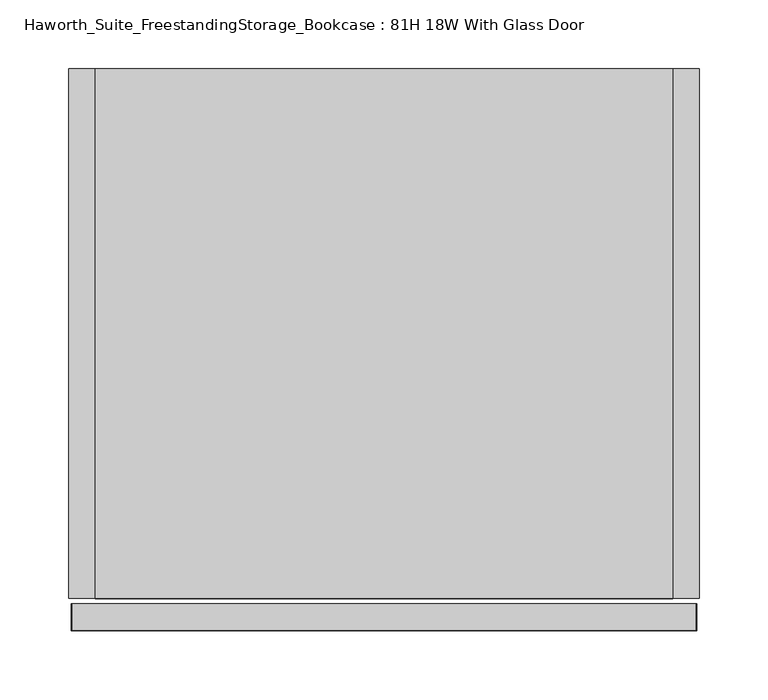
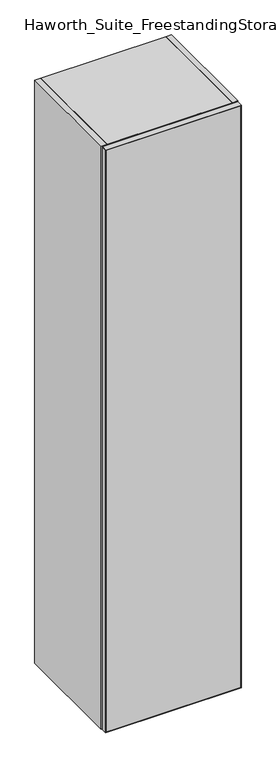
"""IFC4 building model written with IfcOpenShell, lengths in millimetres: furniture geometry, Haworth_Suite_FreestandingStorage_Bookcase : 81H 18W With Glass Door."""

from ifc_helpers import new_model, si_unit, frame, origin, origin_with_axes, place, context, project, spatial, polyline, outline, extrude, source, transform, mapped, element, save


def haworth_suite_freestandingstorage_bookcase_81h_18w_with_bdffdcb7(model_context):
    return source(origin(), model_context, "Body", "SweptSolid", [
        extrude(outline(polyline([(2057.4, 214.3125), (2055.8125, 212.725), (1.5875, 212.725), (0.0, 214.3125), (2057.4, 214.3125)])), frame((0.0, -419.89375, 0.0), z_axis=(0.0, 1.0, 0.0), x_axis=(0.0, 0.0, 1.0)), (0.0, 0.0, 1.0), 19.05),
        extrude(outline(polyline([(2057.4, -239.7125), (0.0, -239.7125), (1.5875, -238.125), (2055.8125, -238.125), (2057.4, -239.7125)])), frame((0.0, -419.89375, 0.0), z_axis=(0.0, 1.0, 0.0), x_axis=(0.0, 0.0, 1.0)), (0.0, 0.0, 1.0), 19.05),
        extrude(outline(polyline([(2055.8125, 212.725), (2057.4, 214.3125), (2057.4, -239.7125), (2055.8125, -238.125), (2055.8125, 212.725)])), frame((0.0, -419.89375, 0.0), z_axis=(0.0, 1.0, 0.0), x_axis=(0.0, 0.0, 1.0)), (0.0, 0.0, 1.0), 19.05),
        extrude(outline(polyline([(1.5875, 212.725), (1.5875, -238.125), (0.0, -239.7125), (0.0, 214.3125), (1.5875, 212.725)])), frame((0.0, -419.89375, 0.0), z_axis=(0.0, 1.0, 0.0), x_axis=(0.0, 0.0, 1.0)), (0.0, 0.0, 1.0), 19.05),
        extrude(outline(polyline([(-238.125, -401.6375), (212.725, -401.6375), (212.725, -419.1), (-238.125, -419.1), (-238.125, -401.6375)])), frame((0.0, 0.0, 1.5875), z_axis=(0.0, 0.0, 1.0), x_axis=(1.0, 0.0, 0.0)), (0.0, 0.0, 1.0), 2054.225),
        extrude(outline(polyline([(196.85, -31.75), (196.85, -377.825), (-222.25, -377.825), (-222.25, -31.75), (196.85, -31.75)])), frame((0.0, 0.0, 1631.95), z_axis=(0.0, 0.0, 1.0), x_axis=(1.0, 0.0, 0.0)), (0.0, 0.0, 1.0), 19.05),
        extrude(outline(polyline([(196.85, -31.75), (196.85, -377.825), (-222.25, -377.825), (-222.25, -31.75), (196.85, -31.75)])), frame((0.0, 0.0, 431.8), z_axis=(0.0, 0.0, 1.0), x_axis=(1.0, 0.0, 0.0)), (0.0, 0.0, 1.0), 19.05),
        extrude(outline(polyline([(196.85, -31.75), (196.85, -377.825), (-222.25, -377.825), (-222.25, -31.75), (196.85, -31.75)])), frame((0.0, 0.0, 831.85), z_axis=(0.0, 0.0, 1.0), x_axis=(1.0, 0.0, 0.0)), (0.0, 0.0, 1.0), 19.05),
        extrude(outline(polyline([(196.85, -31.75), (196.85, -377.825), (-222.25, -377.825), (-222.25, -31.75), (196.85, -31.75)])), frame((0.0, 0.0, 1231.9), z_axis=(0.0, 0.0, 1.0), x_axis=(1.0, 0.0, 0.0)), (0.0, 0.0, 1.0), 19.05),
        extrude(outline(polyline([(196.85, -12.7), (196.85, -396.875), (-222.25, -396.875), (-222.25, -12.7), (196.85, -12.7)])), frame((0.0, 0.0, 2038.35), z_axis=(0.0, 0.0, 1.0), x_axis=(1.0, 0.0, 0.0)), (0.0, 0.0, 1.0), 19.05),
        extrude(outline(polyline([(196.85, -12.7), (196.85, -31.75), (-222.25, -31.75), (-222.25, -12.7), (196.85, -12.7)])), origin_with_axes(), (0.0, 0.0, 1.0), 2038.35),
        extrude(outline(polyline([(196.85, -31.75), (196.85, -396.875), (-222.25, -396.875), (-222.25, -31.75), (196.85, -31.75)])), origin_with_axes(), (0.0, 0.0, 1.0), 38.1),
        extrude(outline(polyline([(-222.25, -12.7), (-222.25, -396.875), (-241.3, -396.875), (-241.3, -12.7), (-222.25, -12.7)])), origin_with_axes(), (0.0, 0.0, 1.0), 2057.4),
        extrude(outline(polyline([(215.9, -396.875), (196.85, -396.875), (196.85, -12.7), (215.9, -12.7), (215.9, -396.875)])), origin_with_axes(), (0.0, 0.0, 1.0), 2057.4),
    ])


if __name__ == "__main__":
    model = new_model("IFC4")
    model_context = context("Model", 3, world=origin())
    ifc_project = project(units=[si_unit("LENGTHUNIT", "METRE", prefix="MILLI")], contexts=[model_context])
    site = spatial("IfcSite", under=ifc_project)
    building = spatial("IfcBuilding", under=site)
    placement = place(None, origin())
    haworth_suite_freestandingstorage_bookcase_81h_18w_with_shape = haworth_suite_freestandingstorage_bookcase_81h_18w_with_bdffdcb7(model_context)
    element("IfcFurniture", 1, ObjectType="Haworth_Suite_FreestandingStorage_Bookcase : 81H 18W With Glass Door", at=placement, inside=building, context=model_context, shape_type="MappedRepresentation", body=[
        mapped(haworth_suite_freestandingstorage_bookcase_81h_18w_with_shape, transform((0.0, 0.0, 0.0), x_axis=(1.0, 0.0, 0.0), y_axis=(0.0, 1.0, 0.0), z_axis=(0.0, 0.0, 1.0))),
    ])
    save(model, "model.ifc")
